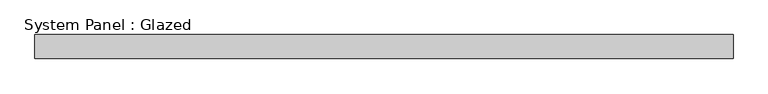
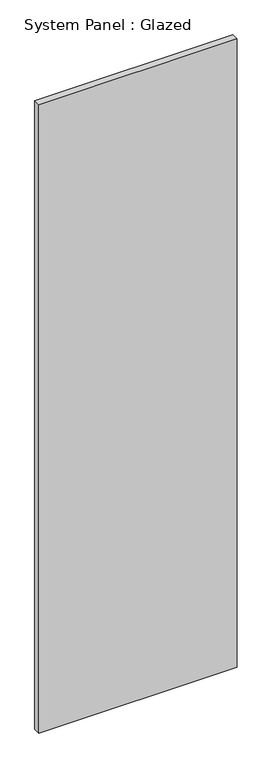
"""IFC4 building model written with IfcOpenShell, lengths in millimetres: plate geometry, System Panel : Glazed."""

import ifcopenshell
import ifcopenshell.guid

model = None  # the IFC model being written
_history = None  # IfcOwnerHistory: only IFC2X3 demands one
_inside = {}  # id of a spatial element -> (the spatial element, [elements in it])
_under = {}  # id of a project, library or spatial element -> (it, [spatial elements below it])
_declared = {}  # id of a project -> (the project, [libraries it declares])
_typed = {}  # id of a type object -> (the type object, [elements of that type])
_made_of = {}  # id of a material, layer set ... -> (it, [elements and type objects made of it])


def new_model(schema):
    """Start an empty IFC model of exactly this schema.

    Asked for "IFC4X3", IfcOpenShell would pick the latest addendum, in which some entities
    have other attributes; the version numbers below select the first issue.
    IFC2X3 requires an IfcOwnerHistory on every rooted entity: one is made here for all.
    """
    global model, _history
    if schema == "IFC4X3":
        model = ifcopenshell.file(schema_version=(4, 3, 0, 0))
    else:
        model = ifcopenshell.file(schema=schema)
    _inside.clear()
    _under.clear()
    _declared.clear()
    _typed.clear()
    _made_of.clear()
    _history = None
    if model.schema == "IFC2X3":
        org = make("IfcOrganization", Name="unknown")
        user = make(
            "IfcPersonAndOrganization",
            ThePerson=make("IfcPerson", FamilyName="unknown"),
            TheOrganization=org,
        )
        app = make(
            "IfcApplication",
            ApplicationDeveloper=org,
            Version="unknown",
            ApplicationFullName="unknown",
            ApplicationIdentifier="unknown",
        )
        _history = make(
            "IfcOwnerHistory",
            OwningUser=user,
            OwningApplication=app,
            ChangeAction="ADDED",
            CreationDate=0,
        )
    return model


def make(cls, **values):
    """One entity of the class cls with the attributes given. An attribute that is None is left unset."""
    return model.create_entity(
        cls, **{name: value for name, value in values.items() if value is not None}
    )


def rooted(cls, **values):
    """An entity with a GlobalId (a new one), such as an element, a storey or a relation."""
    return make(cls, GlobalId=ifcopenshell.guid.new(), OwnerHistory=_history, **values)


def si_unit(unit_type, name, prefix=None):
    """IfcSIUnit, for example si_unit("LENGTHUNIT", "METRE", prefix="MILLI")."""
    return make("IfcSIUnit", UnitType=unit_type, Prefix=prefix, Name=name)


def assignment(units):
    """IfcUnitAssignment: the units of a project."""
    return None if units is None else make("IfcUnitAssignment", Units=units)


def point(xyz):
    """IfcCartesianPoint."""
    return None if xyz is None else make("IfcCartesianPoint", Coordinates=xyz)


def direction(xyz):
    """IfcDirection."""
    return None if xyz is None else make("IfcDirection", DirectionRatios=xyz)


def frame(location, z_axis=None, x_axis=None):
    """IfcAxis2Placement3D, a coordinate frame: its origin and axes. An axis left out is left unset."""
    return make(
        "IfcAxis2Placement3D",
        Location=point(location),
        Axis=direction(z_axis),
        RefDirection=direction(x_axis),
    )


def origin():
    """The frame at (0, 0, 0) with its axes left unset."""
    return frame((0.0, 0.0, 0.0))


def place(relative_to, where):
    """IfcLocalPlacement: puts the frame where relative to a parent placement (None: the world)."""
    return make(
        "IfcLocalPlacement", PlacementRelTo=relative_to, RelativePlacement=where
    )


def context(
    kind, dimensions, precision=None, world=None, true_north=None, identifier=None
):
    """IfcGeometricRepresentationContext, for example the 3D "Model" context."""
    return make(
        "IfcGeometricRepresentationContext",
        ContextIdentifier=identifier,
        ContextType=kind,
        CoordinateSpaceDimension=dimensions,
        Precision=precision,
        WorldCoordinateSystem=world,
        TrueNorth=true_north,
    )


def project(units=None, contexts=None):
    """IfcProject with its units and contexts."""
    return rooted(
        "IfcProject",
        Name="project",
        RepresentationContexts=contexts,
        UnitsInContext=assignment(units),
    )


def spatial(cls, under=None, at=None, **own):
    """A site, building, storey or space (cls), placed at a placement, below another one or the project."""
    s = rooted(cls, ObjectPlacement=at, **own)
    if under is not None:
        _under.setdefault(under.id(), (under, []))[1].append(s)
    return s


def polyline(points):
    """IfcPolyline through the points."""
    return make("IfcPolyline", Points=[point(p) for p in points])


def outline(outer, holes=None, kind="AREA"):
    """IfcArbitraryClosedProfileDef: a profile drawn as a closed curve; with holes, ...WithVoids."""
    if holes is None:
        return make("IfcArbitraryClosedProfileDef", ProfileType=kind, OuterCurve=outer)
    return make(
        "IfcArbitraryProfileDefWithVoids",
        ProfileType=kind,
        OuterCurve=outer,
        InnerCurves=holes,
    )


def extrude(swept, where, along, depth):
    """IfcExtrudedAreaSolid: the profile swept, set in the frame where, extruded along a direction by depth."""
    return make(
        "IfcExtrudedAreaSolid",
        SweptArea=swept,
        Position=where,
        ExtrudedDirection=direction(along),
        Depth=depth,
    )


def shape(context_of_items, identifier, shape_type, items):
    """IfcShapeRepresentation: the items that make up one representation, for example the "Body"."""
    return make(
        "IfcShapeRepresentation",
        ContextOfItems=context_of_items,
        RepresentationIdentifier=identifier,
        RepresentationType=shape_type,
        Items=items,
    )


def source(mapping_origin, context_of_items, identifier, shape_type, items):
    """IfcRepresentationMap: a shape defined once, which mapped items show again and again."""
    return make(
        "IfcRepresentationMap",
        MappingOrigin=mapping_origin,
        MappedRepresentation=shape(context_of_items, identifier, shape_type, items),
    )


def transform(
    local_origin,
    x_axis=None,
    y_axis=None,
    z_axis=None,
    scale=None,
    scale2=None,
    scale3=None,
    uniform=True,
):
    """IfcCartesianTransformationOperator3D, or its non-uniform kind. x_axis, y_axis, z_axis: its Axis1, 2, 3."""
    if uniform:
        return make(
            "IfcCartesianTransformationOperator3D",
            Axis1=direction(x_axis),
            Axis2=direction(y_axis),
            LocalOrigin=point(local_origin),
            Scale=scale,
            Axis3=direction(z_axis),
        )
    return make(
        "IfcCartesianTransformationOperator3DnonUniform",
        Axis1=direction(x_axis),
        Axis2=direction(y_axis),
        LocalOrigin=point(local_origin),
        Scale=scale,
        Axis3=direction(z_axis),
        Scale2=scale2,
        Scale3=scale3,
    )


def mapped(mapping_source, mapping_target):
    """IfcMappedItem: shows the shape of a source again, moved by a transform."""
    return make(
        "IfcMappedItem", MappingSource=mapping_source, MappingTarget=mapping_target
    )


def made_of(thing, what):
    """Note that an element or type object is made of a material, layer set ...; save() writes the relation."""
    if what is not None:
        _made_of.setdefault(what.id(), (what, []))[1].append(thing)
    return thing


def element(
    cls,
    number,
    at=None,
    inside=None,
    cuts=None,
    type_object=None,
    material=None,
    context=None,
    identifier="Body",
    shape_type=None,
    held_by="IfcProductDefinitionShape",
    body=None,
    shapes=None,
    **own,
):
    """One element of the class cls, such as IfcWall. Its Tag is "e" and its number.

    at: its placement. inside: the storey or other place that contains it. cuts: it is an
    opening in that element (IfcRelVoidsElement). A single representation is given by context,
    identifier, shape_type and body (its items); several are given by shapes. held_by: the class
    of the entity that holds the representations. save() writes the other relations.
    """
    e = rooted(cls, Tag="e%d" % number, ObjectPlacement=at, **own)
    if body is not None:
        shapes = [shape(context, identifier, shape_type, body)]
    if shapes is not None:
        e.Representation = make(held_by, Representations=shapes)
    if inside is not None:
        _inside.setdefault(inside.id(), (inside, []))[1].append(e)
    if cuts is not None:
        rooted(
            "IfcRelVoidsElement", RelatingBuildingElement=cuts, RelatedOpeningElement=e
        )
    if type_object is not None:
        _typed.setdefault(type_object.id(), (type_object, []))[1].append(e)
    return made_of(e, material)


def aggregate(whole, parts):
    """IfcRelAggregates: a whole, such as a stair, and the parts it consists of."""
    return rooted("IfcRelAggregates", RelatingObject=whole, RelatedObjects=parts)


def save(model, path):
    """Write the relations noted so far, then the file.

    IfcRelAggregates (storeys below a building ...), IfcRelContainedInSpatialStructure (elements
    in a storey), IfcRelDefinesByType, IfcRelAssociatesMaterial and IfcRelDeclares: one each for
    every whole, place, type object, material and project.
    """
    for whole, parts in _under.values():
        aggregate(whole, parts)
    for where, things in _inside.values():
        rooted(
            "IfcRelContainedInSpatialStructure",
            RelatedElements=things,
            RelatingStructure=where,
        )
    for kind, things in _typed.values():
        rooted("IfcRelDefinesByType", RelatedObjects=things, RelatingType=kind)
    for what, things in _made_of.values():
        rooted("IfcRelAssociatesMaterial", RelatedObjects=things, RelatingMaterial=what)
    for by, libraries in _declared.values():
        rooted("IfcRelDeclares", RelatingContext=by, RelatedDefinitions=libraries)
    model.write(path)


def system_panel_glazed_c13708c9(model_context):
    return source(origin(), model_context, "Body", "SweptSolid", [
        extrude(outline(polyline([(0.0, -525.0004433), (0.0001312, 525.0004433), (3514.9997803, 525.0004433), (3514.9997803, -525.0003817), (0.0, -525.0004433)])), frame((0.0, -18.0, 0.0), z_axis=(0.0, 1.0, 0.0), x_axis=(0.0, 0.0, 1.0)), (0.0, 0.0, 1.0), 36.0),
    ])


if __name__ == "__main__":
    model = new_model("IFC4")
    model_context = context("Model", 3, world=origin())
    ifc_project = project(units=[si_unit("LENGTHUNIT", "METRE", prefix="MILLI")], contexts=[model_context])
    site = spatial("IfcSite", under=ifc_project)
    building = spatial("IfcBuilding", under=site)
    placement = place(None, origin())
    system_panel_glazed_shape = system_panel_glazed_c13708c9(model_context)
    element("IfcPlate", 1, ObjectType="System Panel : Glazed", at=placement, inside=building, context=model_context, shape_type="MappedRepresentation", body=[
        mapped(system_panel_glazed_shape, transform((0.0, 0.0, 0.0), x_axis=(1.0, 0.0, 0.0), y_axis=(0.0, 1.0, 0.0), z_axis=(0.0, 0.0, 1.0))),
    ])
    save(model, "model.ifc")
